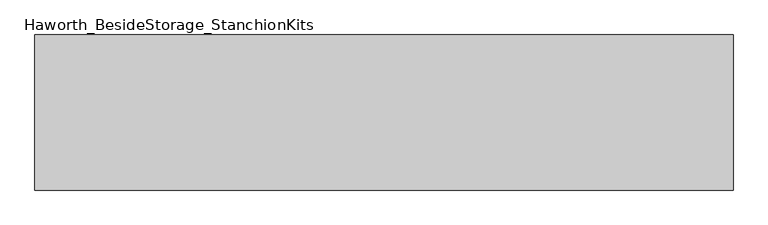
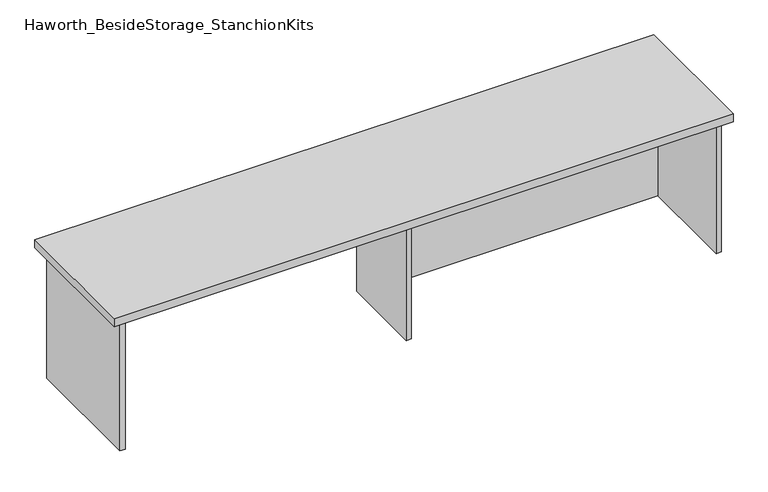
"""IFC4 building model written with IfcOpenShell, lengths in millimetres: furniture geometry, Haworth_BesideStorage_StanchionKits."""

from ifc_helpers import new_model, si_unit, frame, origin, place, context, project, spatial, polyline, outline, extrude, source, transform, mapped, element, save


def haworth_besidestorage_stanchionkits_4a973939(model_context):
    return source(origin(), model_context, "Body", "SweptSolid", [
        extrude(outline(polyline([(1076.325, 0.0), (1076.325, -406.4), (-752.475, -406.4), (-752.475, 0.0), (1076.325, 0.0)])), frame((0.0, 0.0, 838.2), z_axis=(0.0, 0.0, 1.0), x_axis=(1.0, 0.0, 0.0)), (0.0, 0.0, 1.0), 25.4),
        extrude(outline(polyline([(169.8625, -76.2), (1035.05, -76.2), (1035.05, -92.075), (169.8625, -92.075), (169.8625, -76.2)])), frame((0.0, 0.0, 431.8), z_axis=(0.0, 0.0, 1.0), x_axis=(1.0, 0.0, 0.0)), (0.0, 0.0, 1.0), 406.4),
        extrude(outline(polyline([(169.8625, -330.2), (153.9875, -330.2), (153.9875, -76.2), (169.8625, -76.2), (169.8625, -330.2)])), frame((0.0, 0.0, 431.8), z_axis=(0.0, 0.0, 1.0), x_axis=(1.0, 0.0, 0.0)), (0.0, 0.0, 1.0), 406.4),
        extrude(outline(polyline([(1050.925, -390.525), (1035.05, -390.525), (1035.05, -15.875), (1050.925, -15.875), (1050.925, -390.525)])), frame((0.0, 0.0, 431.8), z_axis=(0.0, 0.0, 1.0), x_axis=(1.0, 0.0, 0.0)), (0.0, 0.0, 1.0), 406.4),
        extrude(outline(polyline([(-711.2, -390.525), (-727.075, -390.525), (-727.075, -15.875), (-711.2, -15.875), (-711.2, -390.525)])), frame((0.0, 0.0, 431.8), z_axis=(0.0, 0.0, 1.0), x_axis=(1.0, 0.0, 0.0)), (0.0, 0.0, 1.0), 406.4),
    ])


if __name__ == "__main__":
    model = new_model("IFC4")
    model_context = context("Model", 3, world=origin())
    ifc_project = project(units=[si_unit("LENGTHUNIT", "METRE", prefix="MILLI")], contexts=[model_context])
    site = spatial("IfcSite", under=ifc_project)
    building = spatial("IfcBuilding", under=site)
    placement = place(None, origin())
    haworth_besidestorage_stanchionkits_shape = haworth_besidestorage_stanchionkits_4a973939(model_context)
    element("IfcFurniture", 1, ObjectType="Haworth_BesideStorage_StanchionKits", at=placement, inside=building, context=model_context, shape_type="MappedRepresentation", body=[
        mapped(haworth_besidestorage_stanchionkits_shape, transform((0.0, 0.0, 0.0), x_axis=(1.0, 0.0, 0.0), y_axis=(0.0, 1.0, 0.0), z_axis=(0.0, 0.0, 1.0))),
    ])
    save(model, "model.ifc")
